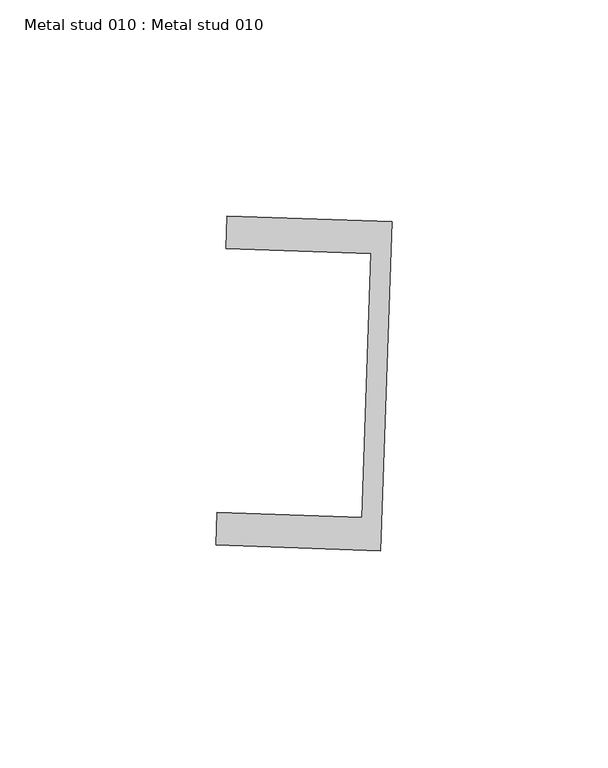
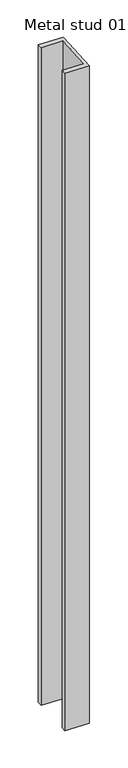
"""IFC4 building model written with IfcOpenShell, lengths in millimetres: proxy geometry, Metal stud 010 : Metal stud 010."""

import ifcopenshell
import ifcopenshell.guid

model = None  # the IFC model being written
_history = None  # IfcOwnerHistory: only IFC2X3 demands one
_inside = {}  # id of a spatial element -> (the spatial element, [elements in it])
_under = {}  # id of a project, library or spatial element -> (it, [spatial elements below it])
_declared = {}  # id of a project -> (the project, [libraries it declares])
_typed = {}  # id of a type object -> (the type object, [elements of that type])
_made_of = {}  # id of a material, layer set ... -> (it, [elements and type objects made of it])


def new_model(schema):
    """Start an empty IFC model of exactly this schema.

    Asked for "IFC4X3", IfcOpenShell would pick the latest addendum, in which some entities
    have other attributes; the version numbers below select the first issue.
    IFC2X3 requires an IfcOwnerHistory on every rooted entity: one is made here for all.
    """
    global model, _history
    if schema == "IFC4X3":
        model = ifcopenshell.file(schema_version=(4, 3, 0, 0))
    else:
        model = ifcopenshell.file(schema=schema)
    _inside.clear()
    _under.clear()
    _declared.clear()
    _typed.clear()
    _made_of.clear()
    _history = None
    if model.schema == "IFC2X3":
        org = make("IfcOrganization", Name="unknown")
        user = make(
            "IfcPersonAndOrganization",
            ThePerson=make("IfcPerson", FamilyName="unknown"),
            TheOrganization=org,
        )
        app = make(
            "IfcApplication",
            ApplicationDeveloper=org,
            Version="unknown",
            ApplicationFullName="unknown",
            ApplicationIdentifier="unknown",
        )
        _history = make(
            "IfcOwnerHistory",
            OwningUser=user,
            OwningApplication=app,
            ChangeAction="ADDED",
            CreationDate=0,
        )
    return model


def make(cls, **values):
    """One entity of the class cls with the attributes given. An attribute that is None is left unset."""
    return model.create_entity(
        cls, **{name: value for name, value in values.items() if value is not None}
    )


def rooted(cls, **values):
    """An entity with a GlobalId (a new one), such as an element, a storey or a relation."""
    return make(cls, GlobalId=ifcopenshell.guid.new(), OwnerHistory=_history, **values)


def si_unit(unit_type, name, prefix=None):
    """IfcSIUnit, for example si_unit("LENGTHUNIT", "METRE", prefix="MILLI")."""
    return make("IfcSIUnit", UnitType=unit_type, Prefix=prefix, Name=name)


def assignment(units):
    """IfcUnitAssignment: the units of a project."""
    return None if units is None else make("IfcUnitAssignment", Units=units)


def point(xyz):
    """IfcCartesianPoint."""
    return None if xyz is None else make("IfcCartesianPoint", Coordinates=xyz)


def direction(xyz):
    """IfcDirection."""
    return None if xyz is None else make("IfcDirection", DirectionRatios=xyz)


def frame(location, z_axis=None, x_axis=None):
    """IfcAxis2Placement3D, a coordinate frame: its origin and axes. An axis left out is left unset."""
    return make(
        "IfcAxis2Placement3D",
        Location=point(location),
        Axis=direction(z_axis),
        RefDirection=direction(x_axis),
    )


def origin():
    """The frame at (0, 0, 0) with its axes left unset."""
    return frame((0.0, 0.0, 0.0))


def place(relative_to, where):
    """IfcLocalPlacement: puts the frame where relative to a parent placement (None: the world)."""
    return make(
        "IfcLocalPlacement", PlacementRelTo=relative_to, RelativePlacement=where
    )


def context(
    kind, dimensions, precision=None, world=None, true_north=None, identifier=None
):
    """IfcGeometricRepresentationContext, for example the 3D "Model" context."""
    return make(
        "IfcGeometricRepresentationContext",
        ContextIdentifier=identifier,
        ContextType=kind,
        CoordinateSpaceDimension=dimensions,
        Precision=precision,
        WorldCoordinateSystem=world,
        TrueNorth=true_north,
    )


def project(units=None, contexts=None):
    """IfcProject with its units and contexts."""
    return rooted(
        "IfcProject",
        Name="project",
        RepresentationContexts=contexts,
        UnitsInContext=assignment(units),
    )


def spatial(cls, under=None, at=None, **own):
    """A site, building, storey or space (cls), placed at a placement, below another one or the project."""
    s = rooted(cls, ObjectPlacement=at, **own)
    if under is not None:
        _under.setdefault(under.id(), (under, []))[1].append(s)
    return s


def polyline(points):
    """IfcPolyline through the points."""
    return make("IfcPolyline", Points=[point(p) for p in points])


def outline(outer, holes=None, kind="AREA"):
    """IfcArbitraryClosedProfileDef: a profile drawn as a closed curve; with holes, ...WithVoids."""
    if holes is None:
        return make("IfcArbitraryClosedProfileDef", ProfileType=kind, OuterCurve=outer)
    return make(
        "IfcArbitraryProfileDefWithVoids",
        ProfileType=kind,
        OuterCurve=outer,
        InnerCurves=holes,
    )


def extrude(swept, where, along, depth):
    """IfcExtrudedAreaSolid: the profile swept, set in the frame where, extruded along a direction by depth."""
    return make(
        "IfcExtrudedAreaSolid",
        SweptArea=swept,
        Position=where,
        ExtrudedDirection=direction(along),
        Depth=depth,
    )


def shape(context_of_items, identifier, shape_type, items):
    """IfcShapeRepresentation: the items that make up one representation, for example the "Body"."""
    return make(
        "IfcShapeRepresentation",
        ContextOfItems=context_of_items,
        RepresentationIdentifier=identifier,
        RepresentationType=shape_type,
        Items=items,
    )


def source(mapping_origin, context_of_items, identifier, shape_type, items):
    """IfcRepresentationMap: a shape defined once, which mapped items show again and again."""
    return make(
        "IfcRepresentationMap",
        MappingOrigin=mapping_origin,
        MappedRepresentation=shape(context_of_items, identifier, shape_type, items),
    )


def transform(
    local_origin,
    x_axis=None,
    y_axis=None,
    z_axis=None,
    scale=None,
    scale2=None,
    scale3=None,
    uniform=True,
):
    """IfcCartesianTransformationOperator3D, or its non-uniform kind. x_axis, y_axis, z_axis: its Axis1, 2, 3."""
    if uniform:
        return make(
            "IfcCartesianTransformationOperator3D",
            Axis1=direction(x_axis),
            Axis2=direction(y_axis),
            LocalOrigin=point(local_origin),
            Scale=scale,
            Axis3=direction(z_axis),
        )
    return make(
        "IfcCartesianTransformationOperator3DnonUniform",
        Axis1=direction(x_axis),
        Axis2=direction(y_axis),
        LocalOrigin=point(local_origin),
        Scale=scale,
        Axis3=direction(z_axis),
        Scale2=scale2,
        Scale3=scale3,
    )


def mapped(mapping_source, mapping_target):
    """IfcMappedItem: shows the shape of a source again, moved by a transform."""
    return make(
        "IfcMappedItem", MappingSource=mapping_source, MappingTarget=mapping_target
    )


def made_of(thing, what):
    """Note that an element or type object is made of a material, layer set ...; save() writes the relation."""
    if what is not None:
        _made_of.setdefault(what.id(), (what, []))[1].append(thing)
    return thing


def element(
    cls,
    number,
    at=None,
    inside=None,
    cuts=None,
    type_object=None,
    material=None,
    context=None,
    identifier="Body",
    shape_type=None,
    held_by="IfcProductDefinitionShape",
    body=None,
    shapes=None,
    **own,
):
    """One element of the class cls, such as IfcWall. Its Tag is "e" and its number.

    at: its placement. inside: the storey or other place that contains it. cuts: it is an
    opening in that element (IfcRelVoidsElement). A single representation is given by context,
    identifier, shape_type and body (its items); several are given by shapes. held_by: the class
    of the entity that holds the representations. save() writes the other relations.
    """
    e = rooted(cls, Tag="e%d" % number, ObjectPlacement=at, **own)
    if body is not None:
        shapes = [shape(context, identifier, shape_type, body)]
    if shapes is not None:
        e.Representation = make(held_by, Representations=shapes)
    if inside is not None:
        _inside.setdefault(inside.id(), (inside, []))[1].append(e)
    if cuts is not None:
        rooted(
            "IfcRelVoidsElement", RelatingBuildingElement=cuts, RelatedOpeningElement=e
        )
    if type_object is not None:
        _typed.setdefault(type_object.id(), (type_object, []))[1].append(e)
    return made_of(e, material)


def aggregate(whole, parts):
    """IfcRelAggregates: a whole, such as a stair, and the parts it consists of."""
    return rooted("IfcRelAggregates", RelatingObject=whole, RelatedObjects=parts)


def save(model, path):
    """Write the relations noted so far, then the file.

    IfcRelAggregates (storeys below a building ...), IfcRelContainedInSpatialStructure (elements
    in a storey), IfcRelDefinesByType, IfcRelAssociatesMaterial and IfcRelDeclares: one each for
    every whole, place, type object, material and project.
    """
    for whole, parts in _under.values():
        aggregate(whole, parts)
    for where, things in _inside.values():
        rooted(
            "IfcRelContainedInSpatialStructure",
            RelatedElements=things,
            RelatingStructure=where,
        )
    for kind, things in _typed.values():
        rooted("IfcRelDefinesByType", RelatedObjects=things, RelatingType=kind)
    for what, things in _made_of.values():
        rooted("IfcRelAssociatesMaterial", RelatedObjects=things, RelatingMaterial=what)
    for by, libraries in _declared.values():
        rooted("IfcRelDeclares", RelatingContext=by, RelatedDefinitions=libraries)
    model.write(path)


def metal_stud_010_metal_stud_010_8ab348ad(model_context):
    return source(origin(), model_context, "Body", "SweptSolid", [
        extrude(outline(polyline([(33592.670258, -15045.8778803), (33590.0640822, -15122.0332993), (33551.9863727, -15120.7302114), (33552.2428861, -15113.2345993), (33585.8232283, -15114.3837792), (33587.9163774, -15053.2195844), (33554.3360351, -15052.0704045), (33554.5925485, -15044.5747924), (33592.670258, -15045.8778803)])), frame((0.0, 0.0, 3009.9), z_axis=(0.0, 0.0, 1.0), x_axis=(1.0, 0.0, 0.0)), (0.0, 0.0, 1.0), 1092.2),
    ])


if __name__ == "__main__":
    model = new_model("IFC4")
    model_context = context("Model", 3, world=origin())
    ifc_project = project(units=[si_unit("LENGTHUNIT", "METRE", prefix="MILLI")], contexts=[model_context])
    site = spatial("IfcSite", under=ifc_project)
    building = spatial("IfcBuilding", under=site)
    placement = place(None, origin())
    metal_stud_010_metal_stud_010_shape = metal_stud_010_metal_stud_010_8ab348ad(model_context)
    element("IfcBuildingElementProxy", 1, Name="Metal stud 010 : Metal stud 010", ObjectType="Metal stud 010 : Metal stud 010", at=placement, inside=building, context=model_context, shape_type="MappedRepresentation", body=[
        mapped(metal_stud_010_metal_stud_010_shape, transform((0.0, 0.0, 0.0), x_axis=(1.0, 0.0, 0.0), y_axis=(0.0, 1.0, 0.0), z_axis=(0.0, 0.0, 1.0))),
    ])
    save(model, "model.ifc")
